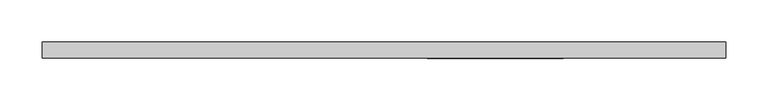
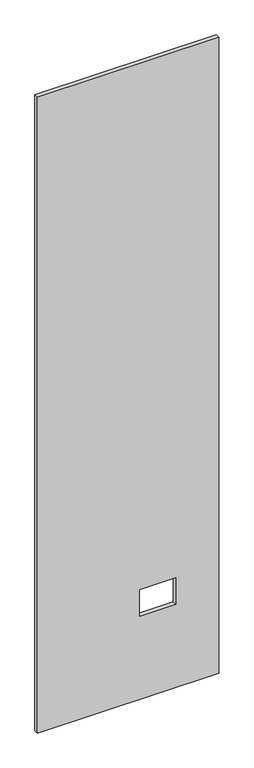
"""IFC4 building model written with IfcOpenShell, lengths in millimetres: proxy geometry."""

import ifcopenshell
import ifcopenshell.guid

model = None  # the IFC model being written
_history = None  # IfcOwnerHistory: only IFC2X3 demands one
_inside = {}  # id of a spatial element -> (the spatial element, [elements in it])
_under = {}  # id of a project, library or spatial element -> (it, [spatial elements below it])
_declared = {}  # id of a project -> (the project, [libraries it declares])
_typed = {}  # id of a type object -> (the type object, [elements of that type])
_made_of = {}  # id of a material, layer set ... -> (it, [elements and type objects made of it])


def new_model(schema):
    """Start an empty IFC model of exactly this schema.

    Asked for "IFC4X3", IfcOpenShell would pick the latest addendum, in which some entities
    have other attributes; the version numbers below select the first issue.
    IFC2X3 requires an IfcOwnerHistory on every rooted entity: one is made here for all.
    """
    global model, _history
    if schema == "IFC4X3":
        model = ifcopenshell.file(schema_version=(4, 3, 0, 0))
    else:
        model = ifcopenshell.file(schema=schema)
    _inside.clear()
    _under.clear()
    _declared.clear()
    _typed.clear()
    _made_of.clear()
    _history = None
    if model.schema == "IFC2X3":
        org = make("IfcOrganization", Name="unknown")
        user = make(
            "IfcPersonAndOrganization",
            ThePerson=make("IfcPerson", FamilyName="unknown"),
            TheOrganization=org,
        )
        app = make(
            "IfcApplication",
            ApplicationDeveloper=org,
            Version="unknown",
            ApplicationFullName="unknown",
            ApplicationIdentifier="unknown",
        )
        _history = make(
            "IfcOwnerHistory",
            OwningUser=user,
            OwningApplication=app,
            ChangeAction="ADDED",
            CreationDate=0,
        )
    return model


def make(cls, **values):
    """One entity of the class cls with the attributes given. An attribute that is None is left unset."""
    return model.create_entity(
        cls, **{name: value for name, value in values.items() if value is not None}
    )


def rooted(cls, **values):
    """An entity with a GlobalId (a new one), such as an element, a storey or a relation."""
    return make(cls, GlobalId=ifcopenshell.guid.new(), OwnerHistory=_history, **values)


def si_unit(unit_type, name, prefix=None):
    """IfcSIUnit, for example si_unit("LENGTHUNIT", "METRE", prefix="MILLI")."""
    return make("IfcSIUnit", UnitType=unit_type, Prefix=prefix, Name=name)


def assignment(units):
    """IfcUnitAssignment: the units of a project."""
    return None if units is None else make("IfcUnitAssignment", Units=units)


def point(xyz):
    """IfcCartesianPoint."""
    return None if xyz is None else make("IfcCartesianPoint", Coordinates=xyz)


def direction(xyz):
    """IfcDirection."""
    return None if xyz is None else make("IfcDirection", DirectionRatios=xyz)


def frame(location, z_axis=None, x_axis=None):
    """IfcAxis2Placement3D, a coordinate frame: its origin and axes. An axis left out is left unset."""
    return make(
        "IfcAxis2Placement3D",
        Location=point(location),
        Axis=direction(z_axis),
        RefDirection=direction(x_axis),
    )


def origin():
    """The frame at (0, 0, 0) with its axes left unset."""
    return frame((0.0, 0.0, 0.0))


def place(relative_to, where):
    """IfcLocalPlacement: puts the frame where relative to a parent placement (None: the world)."""
    return make(
        "IfcLocalPlacement", PlacementRelTo=relative_to, RelativePlacement=where
    )


def context(
    kind, dimensions, precision=None, world=None, true_north=None, identifier=None
):
    """IfcGeometricRepresentationContext, for example the 3D "Model" context."""
    return make(
        "IfcGeometricRepresentationContext",
        ContextIdentifier=identifier,
        ContextType=kind,
        CoordinateSpaceDimension=dimensions,
        Precision=precision,
        WorldCoordinateSystem=world,
        TrueNorth=true_north,
    )


def project(units=None, contexts=None):
    """IfcProject with its units and contexts."""
    return rooted(
        "IfcProject",
        Name="project",
        RepresentationContexts=contexts,
        UnitsInContext=assignment(units),
    )


def spatial(cls, under=None, at=None, **own):
    """A site, building, storey or space (cls), placed at a placement, below another one or the project."""
    s = rooted(cls, ObjectPlacement=at, **own)
    if under is not None:
        _under.setdefault(under.id(), (under, []))[1].append(s)
    return s


def polyline(points):
    """IfcPolyline through the points."""
    return make("IfcPolyline", Points=[point(p) for p in points])


def outline(outer, holes=None, kind="AREA"):
    """IfcArbitraryClosedProfileDef: a profile drawn as a closed curve; with holes, ...WithVoids."""
    if holes is None:
        return make("IfcArbitraryClosedProfileDef", ProfileType=kind, OuterCurve=outer)
    return make(
        "IfcArbitraryProfileDefWithVoids",
        ProfileType=kind,
        OuterCurve=outer,
        InnerCurves=holes,
    )


def extrude(swept, where, along, depth):
    """IfcExtrudedAreaSolid: the profile swept, set in the frame where, extruded along a direction by depth."""
    return make(
        "IfcExtrudedAreaSolid",
        SweptArea=swept,
        Position=where,
        ExtrudedDirection=direction(along),
        Depth=depth,
    )


def shape(context_of_items, identifier, shape_type, items):
    """IfcShapeRepresentation: the items that make up one representation, for example the "Body"."""
    return make(
        "IfcShapeRepresentation",
        ContextOfItems=context_of_items,
        RepresentationIdentifier=identifier,
        RepresentationType=shape_type,
        Items=items,
    )


def source(mapping_origin, context_of_items, identifier, shape_type, items):
    """IfcRepresentationMap: a shape defined once, which mapped items show again and again."""
    return make(
        "IfcRepresentationMap",
        MappingOrigin=mapping_origin,
        MappedRepresentation=shape(context_of_items, identifier, shape_type, items),
    )


def transform(
    local_origin,
    x_axis=None,
    y_axis=None,
    z_axis=None,
    scale=None,
    scale2=None,
    scale3=None,
    uniform=True,
):
    """IfcCartesianTransformationOperator3D, or its non-uniform kind. x_axis, y_axis, z_axis: its Axis1, 2, 3."""
    if uniform:
        return make(
            "IfcCartesianTransformationOperator3D",
            Axis1=direction(x_axis),
            Axis2=direction(y_axis),
            LocalOrigin=point(local_origin),
            Scale=scale,
            Axis3=direction(z_axis),
        )
    return make(
        "IfcCartesianTransformationOperator3DnonUniform",
        Axis1=direction(x_axis),
        Axis2=direction(y_axis),
        LocalOrigin=point(local_origin),
        Scale=scale,
        Axis3=direction(z_axis),
        Scale2=scale2,
        Scale3=scale3,
    )


def mapped(mapping_source, mapping_target):
    """IfcMappedItem: shows the shape of a source again, moved by a transform."""
    return make(
        "IfcMappedItem", MappingSource=mapping_source, MappingTarget=mapping_target
    )


def made_of(thing, what):
    """Note that an element or type object is made of a material, layer set ...; save() writes the relation."""
    if what is not None:
        _made_of.setdefault(what.id(), (what, []))[1].append(thing)
    return thing


def element(
    cls,
    number,
    at=None,
    inside=None,
    cuts=None,
    type_object=None,
    material=None,
    context=None,
    identifier="Body",
    shape_type=None,
    held_by="IfcProductDefinitionShape",
    body=None,
    shapes=None,
    **own,
):
    """One element of the class cls, such as IfcWall. Its Tag is "e" and its number.

    at: its placement. inside: the storey or other place that contains it. cuts: it is an
    opening in that element (IfcRelVoidsElement). A single representation is given by context,
    identifier, shape_type and body (its items); several are given by shapes. held_by: the class
    of the entity that holds the representations. save() writes the other relations.
    """
    e = rooted(cls, Tag="e%d" % number, ObjectPlacement=at, **own)
    if body is not None:
        shapes = [shape(context, identifier, shape_type, body)]
    if shapes is not None:
        e.Representation = make(held_by, Representations=shapes)
    if inside is not None:
        _inside.setdefault(inside.id(), (inside, []))[1].append(e)
    if cuts is not None:
        rooted(
            "IfcRelVoidsElement", RelatingBuildingElement=cuts, RelatedOpeningElement=e
        )
    if type_object is not None:
        _typed.setdefault(type_object.id(), (type_object, []))[1].append(e)
    return made_of(e, material)


def aggregate(whole, parts):
    """IfcRelAggregates: a whole, such as a stair, and the parts it consists of."""
    return rooted("IfcRelAggregates", RelatingObject=whole, RelatedObjects=parts)


def save(model, path):
    """Write the relations noted so far, then the file.

    IfcRelAggregates (storeys below a building ...), IfcRelContainedInSpatialStructure (elements
    in a storey), IfcRelDefinesByType, IfcRelAssociatesMaterial and IfcRelDeclares: one each for
    every whole, place, type object, material and project.
    """
    for whole, parts in _under.values():
        aggregate(whole, parts)
    for where, things in _inside.values():
        rooted(
            "IfcRelContainedInSpatialStructure",
            RelatedElements=things,
            RelatingStructure=where,
        )
    for kind, things in _typed.values():
        rooted("IfcRelDefinesByType", RelatedObjects=things, RelatingType=kind)
    for what, things in _made_of.values():
        rooted("IfcRelAssociatesMaterial", RelatedObjects=things, RelatingMaterial=what)
    for by, libraries in _declared.values():
        rooted("IfcRelDeclares", RelatingContext=by, RelatedDefinitions=libraries)
    model.write(path)


def specialty_equipment_0d0204c2(model_context):
    return source(origin(), model_context, "Body", "SweptSolid", [
        extrude(outline(polyline([(2999.5368001, -404.5204), (3.175, -404.5204), (3.175, 404.5204), (2999.5368001, 404.5204), (2999.5368001, -404.5204)]), holes=[polyline([(395.4526, 211.8868), (395.4526, 51.3588), (518.9474, 51.3588), (518.9474, 211.8868), (395.4526, 211.8868)])]), frame((0.0, -9.525, 0.0), z_axis=(0.0, 1.0, 0.0), x_axis=(0.0, 0.0, 1.0)), (0.0, 0.0, 1.0), 19.05),
    ])


if __name__ == "__main__":
    model = new_model("IFC4")
    model_context = context("Model", 3, world=origin())
    ifc_project = project(units=[si_unit("LENGTHUNIT", "METRE", prefix="MILLI")], contexts=[model_context])
    site = spatial("IfcSite", under=ifc_project)
    building = spatial("IfcBuilding", under=site)
    placement = place(None, origin())
    specialty_equipment_shape = specialty_equipment_0d0204c2(model_context)
    element("IfcBuildingElementProxy", 1, Name="Specialty Equipment", at=placement, inside=building, context=model_context, shape_type="MappedRepresentation", body=[
        mapped(specialty_equipment_shape, transform((0.0, 0.0, 0.0), x_axis=(1.0, 0.0, 0.0), y_axis=(0.0, 1.0, 0.0), z_axis=(0.0, 0.0, 1.0))),
    ])
    save(model, "model.ifc")
